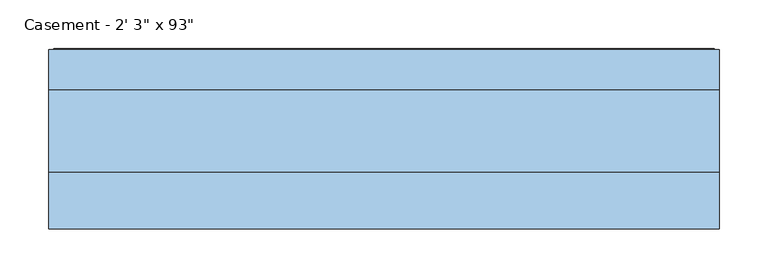
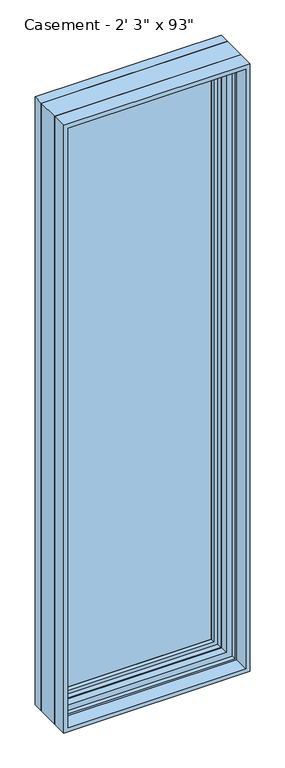
"""IFC4 building model written with IfcOpenShell, lengths in millimetres: window geometry."""

from ifc_helpers import new_model, si_unit, frame, origin, place, context, project, spatial, polyline, outline, extrude, faceted_brep, source, transform, mapped, element, save


def window_40446bee(model_context):
    return source(origin(), model_context, "Body", "SolidModel", [
        extrude(outline(polyline([(290.909375, 61.3770729), (-290.8849783, 61.3770729), (-290.8849783, 78.8395729), (290.909375, 78.8395729), (290.909375, 61.3770729)])), frame((0.0, 0.0, 971.5119), z_axis=(0.0, 0.0, 1.0), x_axis=(1.0, 0.0, 0.0)), (0.0, 0.0, 1.0), 2247.9762),
        extrude(outline(polyline([(914.4, -342.9), (914.4, 342.9), (3276.6, 342.9), (3276.6, -342.9), (914.4, -342.9)]), holes=[polyline([(3260.725, -327.025), (3260.725, 327.025), (930.275, 327.025), (930.275, -327.025), (3260.725, -327.025)])]), frame((0.0, -76.2, 0.0), z_axis=(0.0, 1.0, 0.0), x_axis=(0.0, 0.0, 1.0)), (0.0, 0.0, 1.0), 57.3484375),
        faceted_brep([(-290.8849783, 61.3770729, 966.4150217), (-290.8849783, 78.8395729, 966.4150217), (-290.8849783, 78.8395729, 3224.5849783), (-290.8849783, 61.3770729, 3224.5849783), (-279.2015625, 60.1793953, 978.0984375), (-279.2015625, 61.3770729, 978.0984375), (-279.2015625, 61.3770729, 3212.9015625), (-279.2015625, 60.1793953, 3212.9015625), (-281.9498111, 47.2499024, 975.3501889), (-281.9498111, 47.2499024, 3215.6498111), (-309.9341084, 78.8395729, 947.3658916), (-309.9341084, 47.2499024, 947.3658916), (-309.9341084, 47.2499024, 3243.6341084), (-309.9341084, 78.8395729, 3243.6341084), (290.8849783, 78.8395729, 3224.5849783), (290.8849783, 61.3770729, 3224.5849783), (279.2015625, 61.3770729, 3212.9015625), (279.2015625, 60.1793953, 3212.9015625), (281.9498111, 47.2499024, 3215.6498111), (309.9341084, 47.2499024, 3243.6341084), (309.9341084, 78.8395729, 3243.6341084), (290.8849783, 78.8395729, 966.4150217), (290.8849783, 61.3770729, 966.4150217), (279.2015625, 61.3770729, 978.0984375), (279.2015625, 60.1793953, 978.0984375), (281.9498111, 47.2499024, 975.3501889), (309.9341084, 47.2499024, 947.3658916), (309.9341084, 78.8395729, 947.3658916)], [[[0, 1, 2, 3]], [[4, 5, 6, 7]], [[8, 4, 7, 9]], [[10, 11, 12, 13]], [[3, 2, 14, 15]], [[7, 6, 16, 17]], [[9, 7, 17, 18]], [[13, 12, 19, 20]], [[15, 14, 21, 22]], [[17, 16, 23, 24]], [[18, 17, 24, 25]], [[20, 19, 26, 27]], [[13, 20, 27, 10], [1, 21, 14, 2]], [[22, 21, 1, 0]], [[3, 15, 22, 0], [5, 23, 16, 6]], [[24, 23, 5, 4]], [[25, 24, 4, 8]], [[11, 26, 19, 12], [9, 18, 25, 8]], [[27, 26, 11, 10]]]),
        extrude(outline(polyline([(941.2966952, -316.0033048), (941.2966952, 316.0033048), (3249.7033048, 316.0033048), (3249.7033048, -316.0033048), (941.2966952, -316.0033048)]), holes=[polyline([(3212.9015625, -279.2015625), (3212.9015625, 279.2015625), (978.0984375, 279.2015625), (978.0984375, -279.2015625), (3212.9015625, -279.2015625)])]), frame((0.0, 78.8395729, 0.0), z_axis=(0.0, 1.0, 0.0), x_axis=(0.0, 0.0, 1.0)), (0.0, 0.0, 1.0), 15.4487776),
        faceted_brep([(-328.3220166, 106.5736375, 928.9779834), (-333.655345, 108.1484375, 923.644655), (-333.655345, 108.1484375, 3267.355345), (-328.3220166, 106.5736375, 3262.0220166), (-323.4526868, 91.7927591, 933.8473132), (-323.4526868, 106.5736375, 933.8473132), (-323.4526868, 106.5736375, 3257.1526868), (-323.4526868, 91.7927591, 3257.1526868), (-322.2244, 77.6195591, 935.0756), (-322.2244, 77.6195591, 3255.9244), (-322.2244, 66.471779, 935.0756), (-322.2244, 66.471779, 3255.9244), (-342.9, 106.9932773, 914.4), (-342.9, 66.471779, 914.4), (-342.9, 66.471779, 3276.6), (-342.9, 106.9932773, 3276.6), (-340.614, 98.4241649, 916.686), (-340.614, 106.9932773, 916.686), (-340.614, 106.9932773, 3274.314), (-340.614, 98.4241649, 3274.314), (-337.8962, 108.1484375, 919.4038), (-337.8962, 98.4241649, 919.4038), (-337.8962, 98.4241649, 3271.5962), (-337.8962, 108.1484375, 3271.5962), (333.655345, 108.1484375, 3267.355345), (328.3220166, 106.5736375, 3262.0220166), (323.4526868, 106.5736375, 3257.1526868), (323.4526868, 91.7927591, 3257.1526868), (322.2244, 77.6195591, 3255.9244), (322.2244, 66.471779, 3255.9244), (342.9, 66.471779, 3276.6), (342.9, 106.9932773, 3276.6), (340.614, 106.9932773, 3274.314), (340.614, 98.4241649, 3274.314), (337.8962, 98.4241649, 3271.5962), (337.8962, 108.1484375, 3271.5962), (333.655345, 108.1484375, 923.644655), (328.3220166, 106.5736375, 928.9779834), (323.4526868, 106.5736375, 933.8473132), (323.4526868, 91.7927591, 933.8473132), (322.2244, 77.6195591, 935.0756), (322.2244, 66.471779, 935.0756), (342.9, 66.471779, 914.4), (342.9, 106.9932773, 914.4), (340.614, 106.9932773, 916.686), (340.614, 98.4241649, 916.686), (337.8962, 98.4241649, 919.4038), (337.8962, 108.1484375, 919.4038)], [[[0, 1, 2, 3]], [[4, 5, 6, 7]], [[8, 4, 7, 9]], [[10, 8, 9, 11]], [[12, 13, 14, 15]], [[16, 17, 18, 19]], [[20, 21, 22, 23]], [[3, 2, 24, 25]], [[7, 6, 26, 27]], [[9, 7, 27, 28]], [[11, 9, 28, 29]], [[15, 14, 30, 31]], [[19, 18, 32, 33]], [[23, 22, 34, 35]], [[25, 24, 36, 37]], [[27, 26, 38, 39]], [[28, 27, 39, 40]], [[29, 28, 40, 41]], [[31, 30, 42, 43]], [[33, 32, 44, 45]], [[35, 34, 46, 47]], [[37, 36, 1, 0]], [[3, 25, 37, 0], [5, 38, 26, 6]], [[39, 38, 5, 4]], [[40, 39, 4, 8]], [[41, 40, 8, 10]], [[13, 42, 30, 14], [11, 29, 41, 10]], [[43, 42, 13, 12]], [[15, 31, 43, 12], [17, 44, 32, 18]], [[45, 44, 17, 16]], [[19, 33, 45, 16], [21, 46, 34, 22]], [[47, 46, 21, 20]], [[23, 35, 47, 20], [1, 36, 24, 2]]]),
        faceted_brep([(-342.9, 66.471779, 914.4), (-342.9, -18.8515625, 914.4), (-342.9, -18.8515625, 3276.6), (-342.9, 66.471779, 3276.6), (-323.2404, 54.0563278, 934.0596), (-323.2404, 66.471779, 934.0596), (-323.2404, 66.471779, 3256.9404), (-323.2404, 54.0563278, 3256.9404), (-316.7634, 47.0093984, 940.5366), (-316.7634, 54.0563278, 940.5366), (-316.7634, 54.0563278, 3250.4634), (-316.7634, 47.0093984, 3250.4634), (-295.275, 27.2279649, 962.025), (-295.275, 47.0093984, 962.025), (-295.275, 47.0093984, 3228.975), (-295.275, 27.2279649, 3228.975), (-299.2374, -1.7772662, 958.0626), (-299.2374, 27.2279649, 958.0626), (-299.2374, 27.2279649, 3232.9374), (-299.2374, -1.7772662, 3232.9374), (342.9, -18.8515625, 3276.6), (342.9, 66.471779, 3276.6), (323.2404, 66.471779, 3256.9404), (323.2404, 54.0563278, 3256.9404), (316.7634, 54.0563278, 3250.4634), (316.7634, 47.0093984, 3250.4634), (295.275, 47.0093984, 3228.975), (295.275, 27.2279649, 3228.975), (299.2374, 27.2279649, 3232.9374), (299.2374, -1.7772662, 3232.9374), (342.9, -18.8515625, 914.4), (342.9, 66.471779, 914.4), (323.2404, 66.471779, 934.0596), (323.2404, 54.0563278, 934.0596), (316.7634, 54.0563278, 940.5366), (316.7634, 47.0093984, 940.5366), (295.275, 47.0093984, 962.025), (295.275, 27.2279649, 962.025), (299.2374, 27.2279649, 958.0626), (299.2374, -1.7772662, 958.0626), (-320.6761112, -18.8515625, 3254.3761112), (320.6761112, -18.8515625, 3254.3761112), (320.6761112, -18.8515625, 936.6238888), (-320.6761112, -18.8515625, 936.6238888), (-320.6761112, -1.7772662, 936.6238888), (320.6761112, -1.7772662, 936.6238888), (320.6761112, -1.7772662, 3254.3761112), (-320.6761112, -1.7772662, 3254.3761112)], [[[0, 1, 2, 3]], [[4, 5, 6, 7]], [[8, 9, 10, 11]], [[12, 13, 14, 15]], [[16, 17, 18, 19]], [[3, 2, 20, 21]], [[7, 6, 22, 23]], [[11, 10, 24, 25]], [[15, 14, 26, 27]], [[19, 18, 28, 29]], [[21, 20, 30, 31]], [[23, 22, 32, 33]], [[25, 24, 34, 35]], [[27, 26, 36, 37]], [[29, 28, 38, 39]], [[1, 30, 20, 2], [40, 41, 42, 43]], [[31, 30, 1, 0]], [[3, 21, 31, 0], [5, 32, 22, 6]], [[33, 32, 5, 4]], [[7, 23, 33, 4], [9, 34, 24, 10]], [[35, 34, 9, 8]], [[11, 25, 35, 8], [13, 36, 26, 14]], [[37, 36, 13, 12]], [[17, 38, 28, 18], [15, 27, 37, 12]], [[39, 38, 17, 16]], [[44, 45, 46, 47], [19, 29, 39, 16]], [[43, 44, 47, 40]], [[40, 47, 46, 41]], [[41, 46, 45, 42]], [[42, 45, 44, 43]]]),
    ])


if __name__ == "__main__":
    model = new_model("IFC4")
    model_context = context("Model", 3, world=origin())
    ifc_project = project(units=[si_unit("LENGTHUNIT", "METRE", prefix="MILLI")], contexts=[model_context])
    site = spatial("IfcSite", under=ifc_project)
    building = spatial("IfcBuilding", under=site)
    placement = place(None, origin())
    window_shape = window_40446bee(model_context)
    element("IfcWindow", 1, ObjectType="Casement - 2' 3\" x 93\"", at=placement, inside=building, context=model_context, shape_type="MappedRepresentation", body=[
        mapped(window_shape, transform((0.0, 0.0, 0.0), x_axis=(1.0, 0.0, 0.0), y_axis=(0.0, 1.0, 0.0), z_axis=(0.0, 0.0, 1.0))),
    ])
    save(model, "model.ifc")
